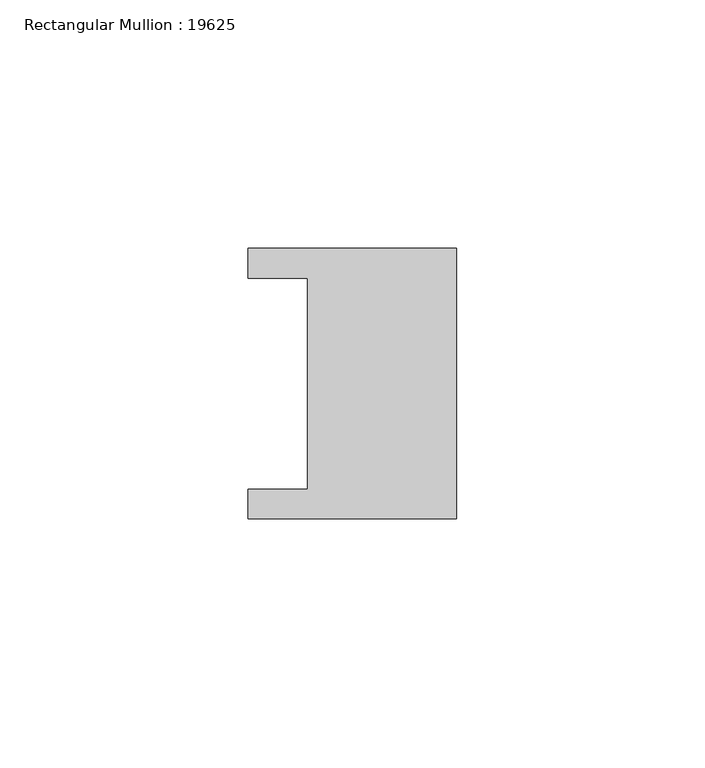
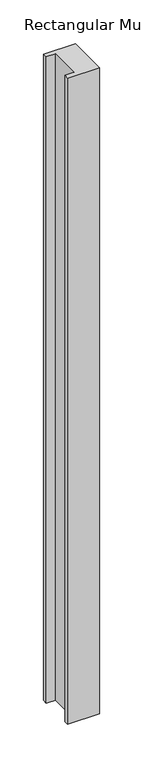
"""IFC4 building model written with IfcOpenShell, lengths in millimetres: member geometry, Rectangular Mullion : 19625."""

from ifc_helpers import new_model, si_unit, frame, origin, place, context, project, spatial, polyline, outline, extrude, source, transform, mapped, element, save


def rectangular_mullion_19625_4d43f951(model_context):
    return source(origin(), model_context, "Body", "SweptSolid", [
        extrude(outline(polyline([(0.0, -27.25), (-42.0, -27.25), (-42.0, -21.25), (-30.0, -21.25), (-30.0, 21.25), (-42.0, 21.25), (-42.0, 27.25), (0.0, 27.25), (0.0, -27.25)])), frame((0.0, 0.0, -900.0), z_axis=(0.0, 0.0, 1.0), x_axis=(1.0, 0.0, 0.0)), (0.0, 0.0, 1.0), 900.0),
    ])


if __name__ == "__main__":
    model = new_model("IFC4")
    model_context = context("Model", 3, world=origin())
    ifc_project = project(units=[si_unit("LENGTHUNIT", "METRE", prefix="MILLI")], contexts=[model_context])
    site = spatial("IfcSite", under=ifc_project)
    building = spatial("IfcBuilding", under=site)
    placement = place(None, origin())
    rectangular_mullion_19625_shape = rectangular_mullion_19625_4d43f951(model_context)
    element("IfcMember", 1, ObjectType="Rectangular Mullion : 19625", at=placement, inside=building, context=model_context, shape_type="MappedRepresentation", body=[
        mapped(rectangular_mullion_19625_shape, transform((0.0, 0.0, 0.0), x_axis=(1.0, 0.0, 0.0), y_axis=(0.0, 1.0, 0.0), z_axis=(0.0, 0.0, 1.0))),
    ])
    save(model, "model.ifc")
